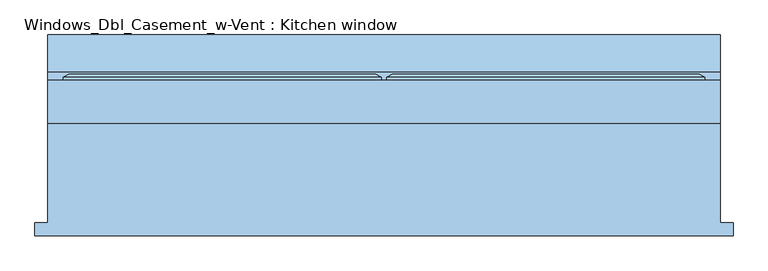
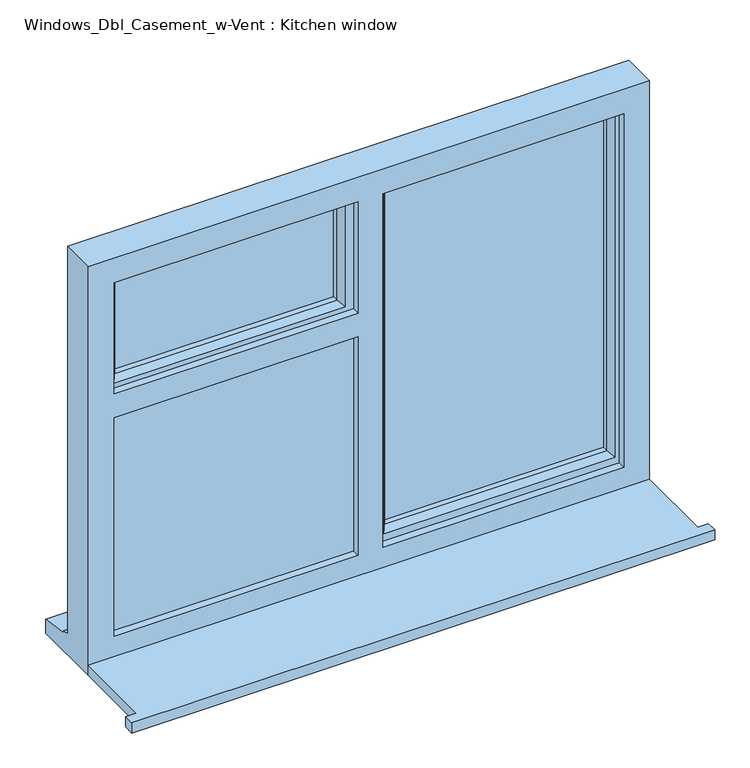
"""IFC4 building model written with IfcOpenShell, lengths in millimetres: window geometry, Windows_Dbl_Casement_w-Vent : Kitchen window."""

from ifc_helpers import new_model, si_unit, frame, origin, place, context, project, spatial, polyline, outline, extrude, faceted_brep, source, transform, mapped, element, save


def windows_dbl_casement_w_vent_kitchen_window_9ee46854(model_context):
    return source(origin(), model_context, "Body", "SolidModel", [
        extrude(outline(polyline([(-960.0, -179.5434322), (-960.0, -154.5434322), (-935.0, -154.5434322), (-935.0, 38.4565678), (365.0, 38.4565678), (365.0, -154.5434322), (390.0, -154.5434322), (390.0, -179.5434322), (-960.0, -179.5434322)])), frame((0.0, 0.0, 1110.0), z_axis=(0.0, 0.0, 1.0), x_axis=(1.0, 0.0, 0.0)), (0.0, 0.0, 1.0), 25.0),
        faceted_brep([(-905.0, 121.4565678, 2080.0), (-905.0, 127.2300705, 2080.0), (-905.0, 127.2300705, 1750.0), (-905.0, 121.4565678, 1750.0), (-895.0, 56.4565678, 2070.0), (-895.0, 121.4565678, 2070.0), (-895.0, 121.4565678, 1760.0), (-895.0, 56.4565678, 1760.0), (-855.0, 70.9494677, 2030.0), (-865.1480377, 56.4565678, 2040.1480377), (-865.1480377, 56.4565678, 1789.8519623), (-855.0, 70.9494677, 1800.0), (-855.0, 85.4565678, 2030.0), (-855.0, 85.4565678, 1800.0), (-865.0, 109.4565678, 2040.0), (-865.0, 85.4565678, 2040.0), (-865.0, 85.4565678, 1790.0), (-865.0, 109.4565678, 1790.0), (-855.0, 127.2300705, 2030.0), (-855.0, 109.4565678, 2030.0), (-855.0, 109.4565678, 1800.0), (-855.0, 127.2300705, 1800.0), (-872.4457548, 133.0035732, 2047.4457548), (-872.4457548, 133.0035732, 1782.5542452), (-894.2153903, 133.0035732, 2069.2153903), (-894.2153903, 133.0035732, 1760.7846097), (-290.0, 127.2300705, 1750.0), (-290.0, 121.4565678, 1750.0), (-300.0, 121.4565678, 1760.0), (-300.0, 56.4565678, 1760.0), (-329.8519623, 56.4565678, 1789.8519623), (-340.0, 70.9494677, 1800.0), (-340.0, 85.4565678, 1800.0), (-330.0, 85.4565678, 1790.0), (-330.0, 109.4565678, 1790.0), (-340.0, 109.4565678, 1800.0), (-340.0, 127.2300705, 1800.0), (-322.5542452, 133.0035732, 1782.5542452), (-300.7846097, 133.0035732, 1760.7846097), (-290.0, 127.2300705, 2080.0), (-290.0, 121.4565678, 2080.0), (-300.0, 121.4565678, 2070.0), (-300.0, 56.4565678, 2070.0), (-329.8519623, 56.4565678, 2040.1480377), (-340.0, 70.9494677, 2030.0), (-340.0, 85.4565678, 2030.0), (-330.0, 85.4565678, 2040.0), (-330.0, 109.4565678, 2040.0), (-340.0, 109.4565678, 2030.0), (-340.0, 127.2300705, 2030.0), (-322.5542452, 133.0035732, 2047.4457548), (-300.7846097, 133.0035732, 2069.2153903)], [[[0, 1, 2, 3]], [[4, 5, 6, 7]], [[8, 9, 10, 11]], [[12, 8, 11, 13]], [[14, 15, 16, 17]], [[18, 19, 20, 21]], [[22, 18, 21, 23]], [[1, 24, 25, 2]], [[3, 2, 26, 27]], [[7, 6, 28, 29]], [[11, 10, 30, 31]], [[13, 11, 31, 32]], [[17, 16, 33, 34]], [[21, 20, 35, 36]], [[23, 21, 36, 37]], [[2, 25, 38, 26]], [[27, 26, 39, 40]], [[29, 28, 41, 42]], [[31, 30, 43, 44]], [[32, 31, 44, 45]], [[34, 33, 46, 47]], [[36, 35, 48, 49]], [[37, 36, 49, 50]], [[26, 38, 51, 39]], [[40, 39, 1, 0]], [[3, 27, 40, 0], [5, 41, 28, 6]], [[42, 41, 5, 4]], [[7, 29, 42, 4], [9, 43, 30, 10]], [[44, 43, 9, 8]], [[45, 44, 8, 12]], [[15, 46, 33, 16], [13, 32, 45, 12]], [[47, 46, 15, 14]], [[17, 34, 47, 14], [19, 48, 35, 20]], [[49, 48, 19, 18]], [[50, 49, 18, 22]], [[24, 51, 38, 25], [23, 37, 50, 22]], [[39, 51, 24, 1]]]),
        extrude(outline(polyline([(295.0, 85.4565678), (-240.0, 85.4565678), (-240.0, 109.4565678), (295.0, 109.4565678), (295.0, 85.4565678)])), frame((0.0, 0.0, 1203.0), z_axis=(0.0, 0.0, 1.0), x_axis=(1.0, 0.0, 0.0)), (0.0, 0.0, 1.0), 837.0),
        extrude(outline(polyline([(-330.0, 85.4565678), (-865.0, 85.4565678), (-865.0, 109.4565678), (-330.0, 109.4565678), (-330.0, 85.4565678)])), frame((0.0, 0.0, 1790.0), z_axis=(0.0, 0.0, 1.0), x_axis=(1.0, 0.0, 0.0)), (0.0, 0.0, 1.0), 250.0),
        extrude(outline(polyline([(-895.0, 80.4565678), (-300.0, 80.4565678), (-300.0, 56.4565678), (-895.0, 56.4565678), (-895.0, 80.4565678)])), frame((0.0, 0.0, 1173.0), z_axis=(0.0, 0.0, 1.0), x_axis=(1.0, 0.0, 0.0)), (0.0, 0.0, 1.0), 557.0),
        faceted_brep([(365.0, 38.4565678, 2110.0), (-935.0, 38.4565678, 2110.0), (-935.0, 38.4565678, 1110.0), (365.0, 38.4565678, 1110.0), (-875.0, 38.4565678, 1185.0), (-875.0, 38.4565678, 1720.0), (-310.0, 38.4565678, 1720.0), (-310.0, 38.4565678, 1185.0), (-875.0, 38.4565678, 2050.0), (-310.0, 38.4565678, 2050.0), (-310.0, 38.4565678, 1778.0), (-875.0, 38.4565678, 1778.0), (-252.0, 38.4565678, 2050.0), (305.0, 38.4565678, 2050.0), (305.0, 38.4565678, 1185.0), (-252.0, 38.4565678, 1185.0), (-935.0, 121.4565678, 2110.0), (-935.0, 121.4565678, 1161.0), (-935.0, 136.4565678, 1159.68767), (-935.0, 136.4565678, 1154.7449676), (-935.0, 208.9565678, 1143.8088847), (-935.0, 208.9565678, 1110.0), (365.0, 121.4565678, 2110.0), (365.0, 121.4565678, 1161.0), (-310.0, 121.4565678, 1173.0), (-310.0, 121.4565678, 1720.0), (-895.0, 121.4565678, 1720.0), (-895.0, 121.4565678, 1173.0), (-310.0, 121.4565678, 2070.0), (-895.0, 121.4565678, 2070.0), (-895.0, 121.4565678, 1760.0), (-310.0, 121.4565678, 1760.0), (325.0, 121.4565678, 1173.0), (325.0, 121.4565678, 2070.0), (-270.0, 121.4565678, 2070.0), (-270.0, 121.4565678, 1173.0), (-895.0, 56.4565678, 2070.0), (-895.0, 56.4565678, 1760.0), (-895.0, 56.4565678, 1730.0), (-895.0, 56.4565678, 1173.0), (-895.0, 80.4565678, 1720.0), (-895.0, 80.4565678, 1730.0), (-300.0, 56.4565678, 2070.0), (-300.0, 56.4565678, 1760.0), (-310.0, 56.4565678, 2050.0), (-875.0, 56.4565678, 2050.0), (-875.0, 56.4565678, 1778.0), (-310.0, 56.4565678, 1778.0), (-270.0, 56.4565678, 2070.0), (325.0, 56.4565678, 2070.0), (325.0, 56.4565678, 1173.0), (-270.0, 56.4565678, 1173.0), (305.0, 56.4565678, 2050.0), (-252.0, 56.4565678, 2050.0), (-252.0, 56.4565678, 1185.0), (305.0, 56.4565678, 1185.0), (-300.0, 56.4565678, 1173.0), (-300.0, 56.4565678, 1730.0), (-875.0, 56.4565678, 1185.0), (-310.0, 56.4565678, 1185.0), (-310.0, 56.4565678, 1720.0), (-875.0, 56.4565678, 1720.0), (-310.0, 80.4565678, 2070.0), (-300.0, 80.4565678, 2070.0), (365.0, 208.9565678, 1110.0), (365.0, 208.9565678, 1143.8088847), (365.0, 136.4565678, 1154.7449676), (365.0, 136.4565678, 1159.68767), (-300.0, 80.4565678, 1760.0), (-300.0, 80.4565678, 1730.0), (-300.0, 80.4565678, 1173.0), (-310.0, 80.4565678, 1760.0), (-310.0, 80.4565678, 1173.0), (-310.0, 80.4565678, 1720.0)], [[[0, 1, 2, 3], [4, 5, 6, 7], [8, 9, 10, 11], [12, 13, 14, 15]], [[1, 16, 17, 18, 19, 20, 21, 2]], [[16, 22, 23, 17], [24, 25, 26, 27], [28, 29, 30, 31], [32, 33, 34, 35]], [[29, 36, 37, 30]], [[38, 39, 27, 26, 40, 41]], [[36, 42, 43, 37], [44, 45, 46, 47]], [[48, 49, 50, 51], [52, 53, 54, 55]], [[56, 39, 38, 57], [58, 59, 60, 61]], [[45, 8, 11, 46]], [[4, 58, 61, 5]], [[1, 0, 22, 16]], [[36, 29, 28, 62, 63, 42]], [[33, 49, 48, 34]], [[8, 45, 44, 9]], [[52, 13, 12, 53]], [[22, 0, 3, 64, 65, 66, 67, 23]], [[33, 32, 50, 49]], [[13, 52, 55, 14]], [[43, 42, 63, 68]], [[69, 70, 56, 57]], [[63, 62, 71, 68]], [[72, 70, 69, 41, 40, 73]], [[62, 28, 31, 71]], [[24, 72, 73, 25]], [[35, 34, 48, 51]], [[53, 12, 15, 54]], [[9, 44, 47, 10]], [[59, 7, 6, 60]], [[64, 3, 2, 21]], [[65, 64, 21, 20]], [[66, 65, 20, 19]], [[67, 66, 19, 18]], [[23, 67, 18, 17]], [[24, 27, 39, 56, 70, 72]], [[32, 35, 51, 50]], [[15, 14, 55, 54]], [[59, 58, 4, 7]], [[57, 38, 41, 69]], [[26, 25, 73, 40]], [[31, 30, 37, 43, 68, 71]], [[47, 46, 11, 10]], [[61, 60, 6, 5]]]),
        extrude(outline(polyline([(1720.0, -875.0), (1720.0, -895.0), (1173.0, -895.0), (1173.0, -310.0), (1193.0, -310.0), (1193.0, -875.0), (1720.0, -875.0)])), frame((0.0, 80.4565678, 0.0), z_axis=(0.0, 1.0, 0.0), x_axis=(0.0, 0.0, 1.0)), (0.0, 0.0, 1.0), 41.0),
        faceted_brep([(-280.0, 121.4565678, 2080.0), (-280.0, 127.2300705, 2080.0), (-280.0, 127.2300705, 1163.0), (-280.0, 121.4565678, 1163.0), (-270.0, 56.4565678, 2070.0), (-270.0, 121.4565678, 2070.0), (-270.0, 121.4565678, 1173.0), (-270.0, 56.4565678, 1173.0), (-230.0, 70.9494677, 2030.0), (-240.1480377, 56.4565678, 2040.1480377), (-240.1480377, 56.4565678, 1202.8519623), (-230.0, 70.9494677, 1213.0), (-230.0, 85.4565678, 2030.0), (-230.0, 85.4565678, 1213.0), (-240.0, 109.4565678, 2040.0), (-240.0, 85.4565678, 2040.0), (-240.0, 85.4565678, 1203.0), (-240.0, 109.4565678, 1203.0), (-230.0, 127.2300705, 2030.0), (-230.0, 109.4565678, 2030.0), (-230.0, 109.4565678, 1213.0), (-230.0, 127.2300705, 1213.0), (-247.4457548, 133.0035732, 2047.4457548), (-247.4457548, 133.0035732, 1195.5542452), (-269.2153903, 133.0035732, 2069.2153903), (-269.2153903, 133.0035732, 1173.7846097), (335.0, 127.2300705, 1163.0), (335.0, 121.4565678, 1163.0), (325.0, 121.4565678, 1173.0), (325.0, 56.4565678, 1173.0), (295.1480377, 56.4565678, 1202.8519623), (285.0, 70.9494677, 1213.0), (285.0, 85.4565678, 1213.0), (295.0, 85.4565678, 1203.0), (295.0, 109.4565678, 1203.0), (285.0, 109.4565678, 1213.0), (285.0, 127.2300705, 1213.0), (302.4457548, 133.0035732, 1195.5542452), (324.2153903, 133.0035732, 1173.7846097), (335.0, 127.2300705, 2080.0), (335.0, 121.4565678, 2080.0), (325.0, 121.4565678, 2070.0), (325.0, 56.4565678, 2070.0), (295.1480377, 56.4565678, 2040.1480377), (285.0, 70.9494677, 2030.0), (285.0, 85.4565678, 2030.0), (295.0, 85.4565678, 2040.0), (295.0, 109.4565678, 2040.0), (285.0, 109.4565678, 2030.0), (285.0, 127.2300705, 2030.0), (302.4457548, 133.0035732, 2047.4457548), (324.2153903, 133.0035732, 2069.2153903)], [[[0, 1, 2, 3]], [[4, 5, 6, 7]], [[8, 9, 10, 11]], [[12, 8, 11, 13]], [[14, 15, 16, 17]], [[18, 19, 20, 21]], [[22, 18, 21, 23]], [[1, 24, 25, 2]], [[3, 2, 26, 27]], [[7, 6, 28, 29]], [[11, 10, 30, 31]], [[13, 11, 31, 32]], [[17, 16, 33, 34]], [[21, 20, 35, 36]], [[23, 21, 36, 37]], [[2, 25, 38, 26]], [[27, 26, 39, 40]], [[29, 28, 41, 42]], [[31, 30, 43, 44]], [[32, 31, 44, 45]], [[34, 33, 46, 47]], [[36, 35, 48, 49]], [[37, 36, 49, 50]], [[26, 38, 51, 39]], [[40, 39, 1, 0]], [[3, 27, 40, 0], [5, 41, 28, 6]], [[42, 41, 5, 4]], [[7, 29, 42, 4], [9, 43, 30, 10]], [[44, 43, 9, 8]], [[45, 44, 8, 12]], [[15, 46, 33, 16], [13, 32, 45, 12]], [[47, 46, 15, 14]], [[17, 34, 47, 14], [19, 48, 35, 20]], [[49, 48, 19, 18]], [[50, 49, 18, 22]], [[24, 51, 38, 25], [23, 37, 50, 22]], [[39, 51, 24, 1]]]),
    ])


if __name__ == "__main__":
    model = new_model("IFC4")
    model_context = context("Model", 3, world=origin())
    ifc_project = project(units=[si_unit("LENGTHUNIT", "METRE", prefix="MILLI")], contexts=[model_context])
    site = spatial("IfcSite", under=ifc_project)
    building = spatial("IfcBuilding", under=site)
    placement = place(None, origin())
    windows_dbl_casement_w_vent_kitchen_window_shape = windows_dbl_casement_w_vent_kitchen_window_9ee46854(model_context)
    element("IfcWindow", 1, ObjectType="Windows_Dbl_Casement_w-Vent : Kitchen window", at=placement, inside=building, context=model_context, shape_type="MappedRepresentation", body=[
        mapped(windows_dbl_casement_w_vent_kitchen_window_shape, transform((0.0, 0.0, 0.0), x_axis=(1.0, 0.0, 0.0), y_axis=(0.0, 1.0, 0.0), z_axis=(0.0, 0.0, 1.0))),
    ])
    save(model, "model.ifc")
